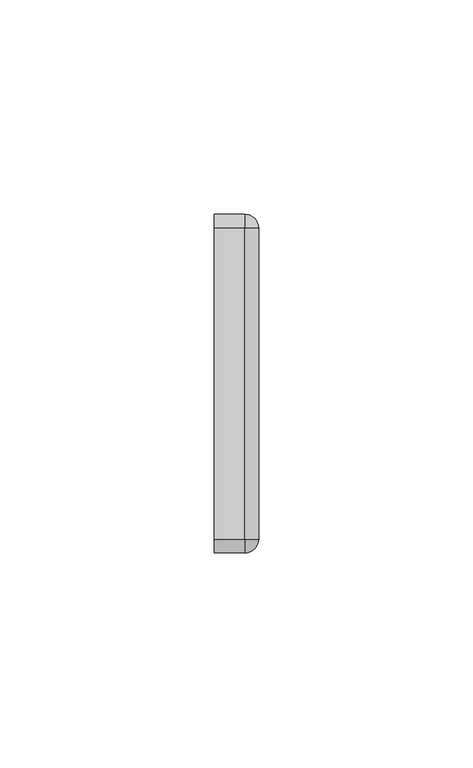
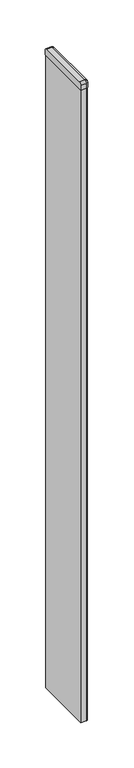
"""IFC4 building model written with IfcOpenShell, lengths in millimetres: furniture geometry."""

from ifc_helpers import new_model, si_unit, point, frame, frame_2d, origin, place, context, project, spatial, polyline, circle_curve, ellipse_curve, trimmed, segment, composite_curve, outline, extrude, source, transform, mapped, element, save
from ifc_brep_helpers import plane_surface, cylinder_surface, revolved_surface, advanced_brep


def furniture_e7363a6c(model_context):
    return source(origin(), model_context, "Body", "SolidModel", [
        advanced_brep(
        [(6.1101987, -36.7238842, 871.0025358), (6.1101987, -36.7238842, 877.3525115), (2.9351984, -36.7238842, 880.5037), (2.9351984, -36.7238842, 871.0025358), (2.9351984, 35.8724944, 880.5037), (6.1101987, 35.8724944, 877.3525115), (6.1101987, 35.8724944, 871.0025358), (2.9351984, 35.8724944, 871.0025358), (2.9351984, -39.8988812, 871.0025358), (-4.1768018, -39.8988812, 871.0025358), (-4.1768018, 39.0474944, 871.0025358), (2.9351984, 39.0474944, 871.0025358), (-4.1768018, 35.8724944, 880.5037), (-4.1768018, -36.7238842, 880.5037), (-4.1768018, 39.0474944, 877.3525115), (-4.1768018, -39.8988812, 877.3525115), (2.9351984, 39.0474944, 877.3525115), (2.9351984, -39.8988812, 877.3525115)],
        [
            (0, 1),
            (1, 2, circle_curve(frame((2.958921, -36.7238842, 877.3525115), z_axis=(0.0, -1.0, 0.0), x_axis=(-1.0, 0.0, 0.0)), 3.1512778)),
            (2, 3),
            (3, 0),
            (4, 5, circle_curve(frame((2.958921, 35.8724944, 877.3525115), z_axis=(0.0, 1.0, 0.0), x_axis=(-1.0, 0.0, 0.0)), 3.1512778)),
            (5, 6),
            (6, 7),
            (7, 4),
            (6, 0),
            (3, 8),
            (8, 9),
            (9, 10),
            (10, 11),
            (11, 7),
            (5, 1),
            (4, 2),
            (4, 12),
            (12, 13),
            (13, 2),
            (12, 14, circle_curve(frame((-4.1768018, 35.8962166, 877.3525115), z_axis=(-1.0, 0.0, 0.0), x_axis=(0.0, 1.0, 0.0)), 3.1512778)),
            (14, 10),
            (9, 15),
            (15, 13, circle_curve(frame((-4.1768018, -36.7476035, 877.3525115), z_axis=(-1.0, 0.0, 0.0), x_axis=(0.0, 1.0, 0.0)), 3.1512777)),
            (11, 16),
            (16, 4, circle_curve(frame((2.9351984, 35.8962166, 877.3525115), z_axis=(1.0, 0.0, 0.0), x_axis=(0.0, 1.0, 0.0)), 3.1512778)),
            (14, 16),
            (2, 17, circle_curve(frame((2.9351984, -36.7476035, 877.3525115), z_axis=(1.0, 0.0, 0.0), x_axis=(0.0, 1.0, 0.0)), 3.1512777)),
            (17, 8),
            (17, 15),
        ],
        [
            plane_surface(frame((4.522698, -36.7238842, 877.3525115), z_axis=(0.0, -1.0, 0.0), x_axis=(0.0, 0.0, 1.0))),
            plane_surface(frame((4.522698, 35.8724944, 877.3525115), z_axis=(0.0, 1.0, 0.0), x_axis=(0.0, 0.0, 1.0))),
            plane_surface(frame((-4.1768018, -36.7238842, 871.0025358), z_axis=(0.0, 0.0, -1.0), x_axis=(0.0, 1.0, 0.0))),
            plane_surface(frame((6.1101987, -36.7238842, 871.0025358), z_axis=(1.0, 0.0, 0.0), x_axis=(0.0, 1.0, 0.0))),
            cylinder_surface(frame((2.958921, -36.7238842, 877.3525115), z_axis=(0.0, -1.0, 0.0), x_axis=(-1.0, 0.0, 0.0)), 3.1512778),
            plane_surface(frame((2.9351984, -36.7238842, 880.5037), z_axis=(0.0, 0.0, 1.0), x_axis=(0.0, 1.0, 0.0))),
            plane_surface(frame((-4.1768018, -36.7238842, 880.5037), z_axis=(-1.0, 0.0, 0.0), x_axis=(0.0, 1.0, 0.0))),
            plane_surface(frame((2.9351984, 37.4599943, 877.3525115), z_axis=(1.0, 0.0, 0.0), x_axis=(0.0, 0.0, 1.0))),
            plane_surface(frame((-4.1768018, 39.0474944, 877.3525115), z_axis=(0.0, 1.0, 0.0), x_axis=(1.0, 0.0, 0.0))),
            cylinder_surface(frame((-4.1768018, 35.8962166, 877.3525115), z_axis=(-1.0, 0.0, 0.0), x_axis=(0.0, 1.0, 0.0)), 3.1512778),
            plane_surface(frame((2.9351984, -38.3113782, 877.3525115), z_axis=(1.0, 0.0, 0.0), x_axis=(0.0, 0.0, 1.0))),
            plane_surface(frame((-4.1768018, -39.8988812, 871.0025358), z_axis=(0.0, -1.0, 0.0), x_axis=(1.0, 0.0, 0.0))),
            cylinder_surface(frame((-4.1768018, -36.7476035, 877.3525115), z_axis=(-1.0, 0.0, 0.0), x_axis=(0.0, 1.0, 0.0)), 3.1512777),
        ],
        [
            (0, [[1, 2, 3, 4]]),
            (1, [[5, 6, 7, 8]]),
            (2, [[9, -4, 10, 11, 12, 13, 14, -7]]),
            (3, [[-1, -9, -6, 15]]),
            (4, [[-2, -15, -5, 16]]),
            (5, [[-16, 17, 18, 19]]),
            (6, [[-18, 20, 21, -12, 22, 23]]),
            (7, [[24, 25, -8, -14]]),
            (8, [[-21, 26, -24, -13]]),
            (9, [[-20, -17, -25, -26]]),
            (10, [[-10, -3, 27, 28]]),
            (11, [[-22, -11, -28, 29]]),
            (12, [[-23, -29, -27, -19]]),
        ],
    ),
        advanced_brep(
        [(2.9351984, 39.0474944, 877.3525115), (2.9351984, 39.0474944, 871.0025358), (2.9351984, 35.8724944, 871.0025358), (2.9351984, 35.8724944, 880.5037), (6.1101983, 35.8724944, 877.3525115), (6.1101983, 35.8724944, 871.0025358)],
        [
            (0, 1),
            (1, 2),
            (2, 3),
            (3, 0, circle_curve(frame((2.9351984, 35.8962166, 877.3525115), z_axis=(-1.0, 0.0, 0.0), x_axis=(0.0, 1.0, 0.0)), 3.1512778)),
            (4, 3, circle_curve(frame((2.9589206, 35.8724944, 877.3525115), z_axis=(0.0, -1.0, 0.0), x_axis=(1.0, 0.0, 0.0)), 3.1512778)),
            (2, 5),
            (5, 4),
            (5, 1, circle_curve(frame((2.9351984, 35.8724944, 871.0025358), z_axis=(0.0, 0.0, 1.0), x_axis=(0.0, 1.0, 0.0)), 3.175)),
            (0, 4, circle_curve(frame((2.9351984, 35.8724944, 877.3525115), z_axis=(0.0, 0.0, -1.0), x_axis=(0.0, 1.0, 0.0)), 3.175)),
        ],
        [
            plane_surface(frame((2.9351984, 35.8724944, 877.3525115), z_axis=(-1.0, 0.0, 0.0), x_axis=(0.0, 1.0, 0.0))),
            plane_surface(frame((2.9351984, 35.8724944, 877.3525115), z_axis=(0.0, -1.0, 0.0), x_axis=(1.0, 0.0, 0.0))),
            cylinder_surface(frame((2.9351984, 35.8724944, 877.3525115), z_axis=(0.0, 0.0, -1.0), x_axis=(0.0, 1.0, 0.0)), 3.175),
            plane_surface(frame((2.9351984, 35.8724944, 871.0025358), z_axis=(0.0, 0.0, -1.0), x_axis=(0.0, 1.0, 0.0))),
            revolved_surface(trimmed(ellipse_curve(frame((2.9351984, 35.8962166, 877.3525115), z_axis=(-1.0, 0.0, 0.0), x_axis=(0.0, 1.0, 0.0)), 3.1512778, 3.1512778), [point((2.9351984, 35.8724944, 880.5037))], [point((2.9351984, 39.0474944, 877.3525115))], True, "CARTESIAN"), (2.9351984, 35.8724944, 877.3525115), (0.0, 0.0, -1.0)),
        ],
        [
            (0, [[1, 2, 3, 4]]),
            (1, [[5, -3, 6, 7]]),
            (2, [[8, -1, 9, -7]]),
            (3, [[-2, -8, -6]]),
            (4, [[-9, -4, -5]]),
        ],
    ),
        advanced_brep(
        [(2.9351984, -39.8988812, 877.3525115), (2.9351984, -36.7238842, 880.5037), (2.9351984, -36.7238842, 871.0025358), (2.9351984, -39.8988812, 871.0025358), (6.1101953, -36.7238842, 877.3525115), (6.1101953, -36.7238842, 871.0025358)],
        [
            (0, 1, circle_curve(frame((2.9351984, -36.7476035, 877.3525115), z_axis=(-1.0, 0.0, 0.0), x_axis=(0.0, -1.0, 0.0)), 3.1512777)),
            (1, 2),
            (2, 3),
            (3, 0),
            (4, 5),
            (5, 2),
            (1, 4, circle_curve(frame((2.9589176, -36.7238842, 877.3525115), z_axis=(0.0, 1.0, 0.0), x_axis=(1.0, 0.0, 0.0)), 3.1512777)),
            (4, 0, circle_curve(frame((2.9351984, -36.7238842, 877.3525115), z_axis=(0.0, 0.0, -1.0), x_axis=(0.0, -1.0, 0.0)), 3.174997)),
            (3, 5, circle_curve(frame((2.9351984, -36.7238842, 871.0025358), z_axis=(0.0, 0.0, 1.0), x_axis=(0.0, -1.0, 0.0)), 3.174997)),
        ],
        [
            plane_surface(frame((2.9351984, -36.7238842, 877.3525115), z_axis=(-1.0, 0.0, 0.0), x_axis=(0.0, -1.0, 0.0))),
            plane_surface(frame((2.9351984, -36.7238842, 877.3525115), z_axis=(0.0, 1.0, 0.0), x_axis=(1.0, 0.0, 0.0))),
            cylinder_surface(frame((2.9351984, -36.7238842, 877.3525115), z_axis=(0.0, 0.0, 1.0), x_axis=(0.0, -1.0, 0.0)), 3.174997),
            revolved_surface(trimmed(ellipse_curve(frame((2.9351984, -36.7476035, 877.3525115), z_axis=(-1.0, 0.0, 0.0), x_axis=(0.0, -1.0, 0.0)), 3.1512777, 3.1512777), [point((2.9351984, -39.8988812, 877.3525115))], [point((2.9351984, -36.7238842, 880.5037))], True, "CARTESIAN"), (2.9351984, -36.7238842, 877.3525115), (0.0, 0.0, 1.0)),
            plane_surface(frame((2.9351984, -36.7238842, 871.0025358), z_axis=(0.0, 0.0, -1.0), x_axis=(0.0, -1.0, 0.0))),
        ],
        [
            (0, [[1, 2, 3, 4]]),
            (1, [[5, 6, -2, 7]]),
            (2, [[8, -4, 9, -5]]),
            (3, [[-1, -8, -7]]),
            (4, [[-9, -3, -6]]),
        ],
    ),
        extrude(outline(composite_curve([segment(trimmed(circle_curve(frame_2d((2.9351984, 35.8469786)), 2.8068158), [point((2.9351984, 38.6537944))], [point((5.7418982, 35.8724944))], False, "CARTESIAN"), True, "CONTINUOUS"), segment(polyline([(5.7418982, 35.8724944), (5.7418982, -36.7238842)]), True, "CONTINUOUS"), segment(trimmed(circle_curve(frame_2d((2.9351984, -36.7238808)), 2.8066998), [point((5.7418982, -36.7238842))], [point((2.9351984, -39.5305806))], False, "CARTESIAN"), True, "CONTINUOUS"), segment(polyline([(2.9351984, -39.5305806), (-3.7831018, -39.5305806), (-3.7831018, 38.6537944), (2.9351984, 38.6537944)]), True, "CONTINUOUS")], self_intersect=False)), frame((0.0, 0.0, 14.2875), z_axis=(0.0, 0.0, 1.0), x_axis=(1.0, 0.0, 0.0)), (0.0, 0.0, 1.0), 856.7150358),
    ])


if __name__ == "__main__":
    model = new_model("IFC4")
    model_context = context("Model", 3, world=origin())
    ifc_project = project(units=[si_unit("LENGTHUNIT", "METRE", prefix="MILLI")], contexts=[model_context])
    site = spatial("IfcSite", under=ifc_project)
    building = spatial("IfcBuilding", under=site)
    placement = place(None, origin())
    furniture_shape = furniture_e7363a6c(model_context)
    element("IfcFurniture", 1, at=placement, inside=building, context=model_context, shape_type="MappedRepresentation", body=[
        mapped(furniture_shape, transform((0.0, 0.0, 0.0), x_axis=(1.0, 0.0, 0.0), y_axis=(0.0, 1.0, 0.0), z_axis=(0.0, 0.0, 1.0))),
    ])
    save(model, "model.ifc")
